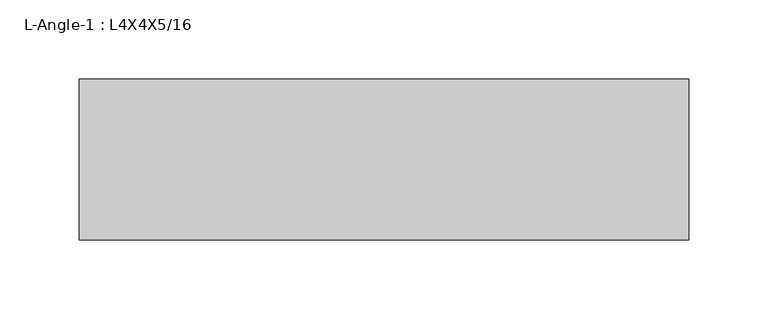
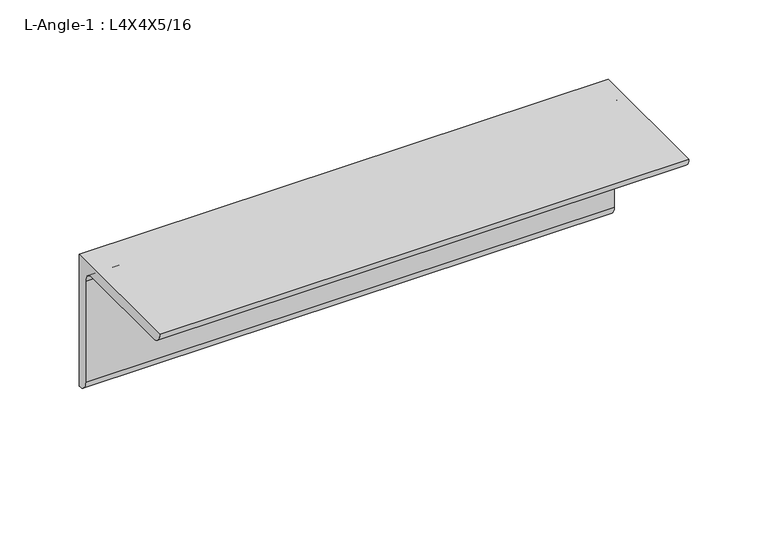
"""IFC4 building model written with IfcOpenShell, lengths in millimetres: beam geometry, L-Angle-1 : L4X4X5/16."""

from ifc_helpers import new_model, si_unit, point, frame, frame_2d, origin, place, context, project, spatial, polyline, circle_curve, trimmed, segment, composite_curve, outline, extrude, source, transform, mapped, element, save


def l_angle_1_l4x4x5_16_6796e298(model_context):
    return source(origin(), model_context, "Body", "SweptSolid", [
        extrude(outline(composite_curve([segment(polyline([(-2.809875, 28.178125), (-2.809875, -73.421875)]), True, "CONTINUOUS"), segment(trimmed(circle_curve(frame_2d((-2.809875, -65.484375)), 7.9375), [point((-2.809875, -73.421875))], [point((-10.747375, -65.484375))], False, "CARTESIAN"), True, "CONTINUOUS"), segment(polyline([(-10.747375, -65.484375), (-10.747375, 12.303125)]), True, "CONTINUOUS"), segment(trimmed(circle_curve(frame_2d((-18.684875, 12.303125)), 7.9375), [point((-10.747375, 12.303125))], [point((-18.684875, 20.240625))], True, "CARTESIAN"), True, "CONTINUOUS"), segment(polyline([(-18.684875, 20.240625), (-96.472375, 20.240625)]), True, "CONTINUOUS"), segment(trimmed(circle_curve(frame_2d((-96.472375, 28.178125)), 7.9375), [point((-96.472375, 20.240625))], [point((-104.409875, 28.178125))], False, "CARTESIAN"), True, "CONTINUOUS"), segment(polyline([(-104.409875, 28.178125), (-2.809875, 28.178125)]), True, "CONTINUOUS")], self_intersect=False)), frame((-186.1839838, 0.0, 0.0), z_axis=(1.0, 0.0, 0.0), x_axis=(0.0, 1.0, 0.0)), (0.0, 0.0, 1.0), 385.0679681),
    ])


if __name__ == "__main__":
    model = new_model("IFC4")
    model_context = context("Model", 3, world=origin())
    ifc_project = project(units=[si_unit("LENGTHUNIT", "METRE", prefix="MILLI")], contexts=[model_context])
    site = spatial("IfcSite", under=ifc_project)
    building = spatial("IfcBuilding", under=site)
    placement = place(None, origin())
    l_angle_1_l4x4x5_16_shape = l_angle_1_l4x4x5_16_6796e298(model_context)
    element("IfcBeam", 1, ObjectType="L-Angle-1 : L4X4X5/16", at=placement, inside=building, context=model_context, shape_type="MappedRepresentation", body=[
        mapped(l_angle_1_l4x4x5_16_shape, transform((0.0, 0.0, 0.0), x_axis=(1.0, 0.0, 0.0), y_axis=(0.0, 1.0, 0.0), z_axis=(0.0, 0.0, 1.0))),
    ])
    save(model, "model.ifc")
